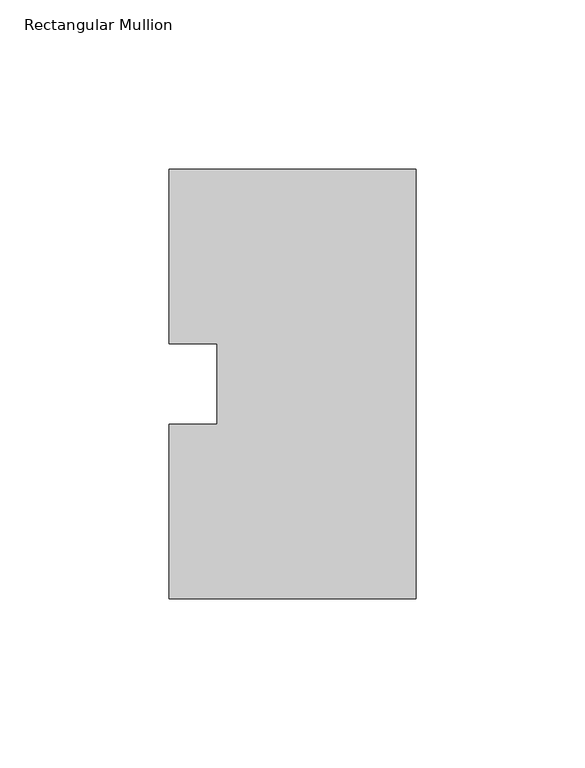
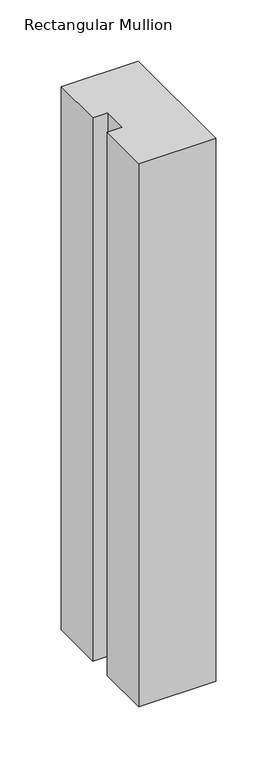
"""IFC4 building model written with IfcOpenShell, lengths in millimetres: member geometry, Rectangular Mullion."""

from ifc_helpers import new_model, si_unit, frame, origin, place, context, project, spatial, polyline, outline, extrude, source, transform, mapped, element, save


def rectangular_mullion_e4dbc11b(model_context):
    return source(origin(), model_context, "Body", "SweptSolid", [
        extrude(outline(polyline([(0.0, 127.00635), (0.0, 0.00635), (-73.025, 0.00635), (-73.025, 51.60645), (-58.7375, 51.60645), (-58.7375, 75.40625), (-73.025, 75.40625), (-73.025, 127.00635), (0.0, 127.00635)])), frame((0.0, 0.0, -542.925), z_axis=(0.0, 0.0, 1.0), x_axis=(1.0, 0.0, 0.0)), (0.0, 0.0, 1.0), 542.925),
    ])


if __name__ == "__main__":
    model = new_model("IFC4")
    model_context = context("Model", 3, world=origin())
    ifc_project = project(units=[si_unit("LENGTHUNIT", "METRE", prefix="MILLI")], contexts=[model_context])
    site = spatial("IfcSite", under=ifc_project)
    building = spatial("IfcBuilding", under=site)
    placement = place(None, origin())
    rectangular_mullion_shape = rectangular_mullion_e4dbc11b(model_context)
    element("IfcMember", 1, ObjectType="Rectangular Mullion", at=placement, inside=building, context=model_context, shape_type="MappedRepresentation", body=[
        mapped(rectangular_mullion_shape, transform((0.0, 0.0, 0.0), x_axis=(1.0, 0.0, 0.0), y_axis=(0.0, 1.0, 0.0), z_axis=(0.0, 0.0, 1.0))),
    ])
    save(model, "model.ifc")
